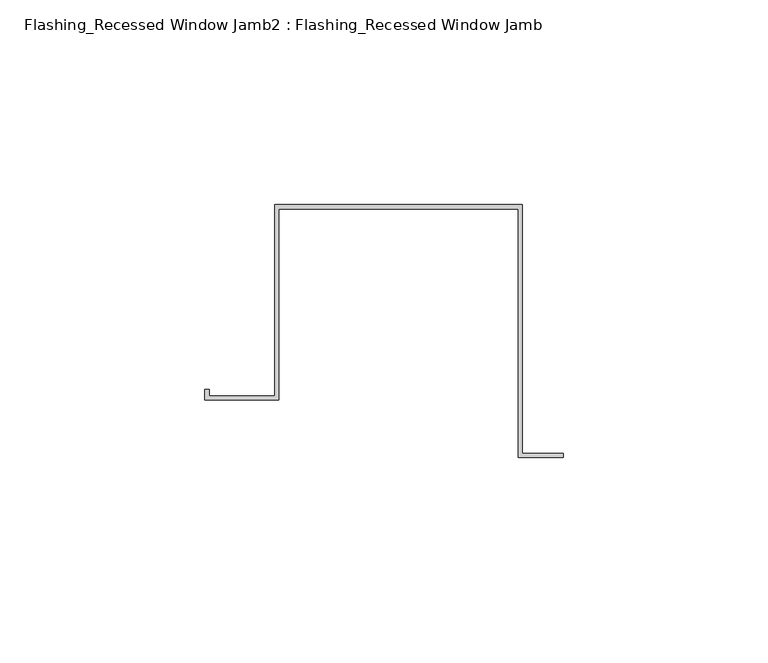
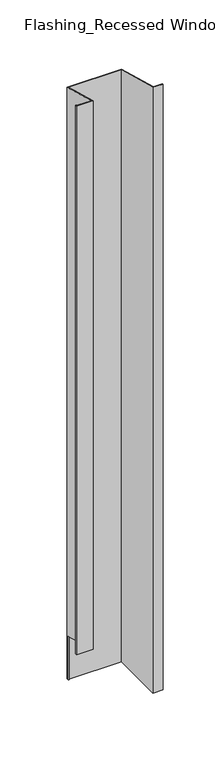
"""IFC4 building model written with IfcOpenShell, lengths in millimetres: proxy geometry, Flashing_Recessed Window Jamb2 : Flashing_Recessed Window Jamb."""

import ifcopenshell
import ifcopenshell.guid

model = None  # the IFC model being written
_history = None  # IfcOwnerHistory: only IFC2X3 demands one
_inside = {}  # id of a spatial element -> (the spatial element, [elements in it])
_under = {}  # id of a project, library or spatial element -> (it, [spatial elements below it])
_declared = {}  # id of a project -> (the project, [libraries it declares])
_typed = {}  # id of a type object -> (the type object, [elements of that type])
_made_of = {}  # id of a material, layer set ... -> (it, [elements and type objects made of it])


def new_model(schema):
    """Start an empty IFC model of exactly this schema.

    Asked for "IFC4X3", IfcOpenShell would pick the latest addendum, in which some entities
    have other attributes; the version numbers below select the first issue.
    IFC2X3 requires an IfcOwnerHistory on every rooted entity: one is made here for all.
    """
    global model, _history
    if schema == "IFC4X3":
        model = ifcopenshell.file(schema_version=(4, 3, 0, 0))
    else:
        model = ifcopenshell.file(schema=schema)
    _inside.clear()
    _under.clear()
    _declared.clear()
    _typed.clear()
    _made_of.clear()
    _history = None
    if model.schema == "IFC2X3":
        org = make("IfcOrganization", Name="unknown")
        user = make(
            "IfcPersonAndOrganization",
            ThePerson=make("IfcPerson", FamilyName="unknown"),
            TheOrganization=org,
        )
        app = make(
            "IfcApplication",
            ApplicationDeveloper=org,
            Version="unknown",
            ApplicationFullName="unknown",
            ApplicationIdentifier="unknown",
        )
        _history = make(
            "IfcOwnerHistory",
            OwningUser=user,
            OwningApplication=app,
            ChangeAction="ADDED",
            CreationDate=0,
        )
    return model


def make(cls, **values):
    """One entity of the class cls with the attributes given. An attribute that is None is left unset."""
    return model.create_entity(
        cls, **{name: value for name, value in values.items() if value is not None}
    )


def rooted(cls, **values):
    """An entity with a GlobalId (a new one), such as an element, a storey or a relation."""
    return make(cls, GlobalId=ifcopenshell.guid.new(), OwnerHistory=_history, **values)


def si_unit(unit_type, name, prefix=None):
    """IfcSIUnit, for example si_unit("LENGTHUNIT", "METRE", prefix="MILLI")."""
    return make("IfcSIUnit", UnitType=unit_type, Prefix=prefix, Name=name)


def assignment(units):
    """IfcUnitAssignment: the units of a project."""
    return None if units is None else make("IfcUnitAssignment", Units=units)


def point(xyz):
    """IfcCartesianPoint."""
    return None if xyz is None else make("IfcCartesianPoint", Coordinates=xyz)


def direction(xyz):
    """IfcDirection."""
    return None if xyz is None else make("IfcDirection", DirectionRatios=xyz)


def frame(location, z_axis=None, x_axis=None):
    """IfcAxis2Placement3D, a coordinate frame: its origin and axes. An axis left out is left unset."""
    return make(
        "IfcAxis2Placement3D",
        Location=point(location),
        Axis=direction(z_axis),
        RefDirection=direction(x_axis),
    )


def origin():
    """The frame at (0, 0, 0) with its axes left unset."""
    return frame((0.0, 0.0, 0.0))


def place(relative_to, where):
    """IfcLocalPlacement: puts the frame where relative to a parent placement (None: the world)."""
    return make(
        "IfcLocalPlacement", PlacementRelTo=relative_to, RelativePlacement=where
    )


def context(
    kind, dimensions, precision=None, world=None, true_north=None, identifier=None
):
    """IfcGeometricRepresentationContext, for example the 3D "Model" context."""
    return make(
        "IfcGeometricRepresentationContext",
        ContextIdentifier=identifier,
        ContextType=kind,
        CoordinateSpaceDimension=dimensions,
        Precision=precision,
        WorldCoordinateSystem=world,
        TrueNorth=true_north,
    )


def project(units=None, contexts=None):
    """IfcProject with its units and contexts."""
    return rooted(
        "IfcProject",
        Name="project",
        RepresentationContexts=contexts,
        UnitsInContext=assignment(units),
    )


def spatial(cls, under=None, at=None, **own):
    """A site, building, storey or space (cls), placed at a placement, below another one or the project."""
    s = rooted(cls, ObjectPlacement=at, **own)
    if under is not None:
        _under.setdefault(under.id(), (under, []))[1].append(s)
    return s


def faces_of(points, faces, orient=None, outer=None):
    """IfcFace entities. A face is a list of loops; a loop is a list of indices into points, from 0.

    orient and outer hold one flag for each loop. By default every Orientation is true, the
    first loop of a face is its IfcFaceOuterBound and the others are IfcFaceBound.
    """
    made = []
    for i, loops in enumerate(faces):
        bounds = []
        for j, loop in enumerate(loops):
            is_outer = j == 0 if outer is None else outer[i][j]
            bounds.append(
                make(
                    "IfcFaceOuterBound" if is_outer else "IfcFaceBound",
                    Bound=make("IfcPolyLoop", Polygon=[points[k] for k in loop]),
                    Orientation=True if orient is None else orient[i][j],
                )
            )
        made.append(make("IfcFace", Bounds=bounds))
    return made


def faceted_brep(points, faces, orient=None, outer=None, voids=None):
    """IfcFacetedBrep: a solid bounded by flat faces; with voids (closed shells), ...WithVoids."""
    shared = [point(p) for p in points]
    hull = make("IfcClosedShell", CfsFaces=faces_of(shared, faces, orient, outer))
    if voids is None:
        return make("IfcFacetedBrep", Outer=hull)
    return make(
        "IfcFacetedBrepWithVoids",
        Outer=hull,
        Voids=[
            make(cls, CfsFaces=faces_of(shared, fs, o, b)) for cls, fs, o, b in voids
        ],
    )


def shape(context_of_items, identifier, shape_type, items):
    """IfcShapeRepresentation: the items that make up one representation, for example the "Body"."""
    return make(
        "IfcShapeRepresentation",
        ContextOfItems=context_of_items,
        RepresentationIdentifier=identifier,
        RepresentationType=shape_type,
        Items=items,
    )


def source(mapping_origin, context_of_items, identifier, shape_type, items):
    """IfcRepresentationMap: a shape defined once, which mapped items show again and again."""
    return make(
        "IfcRepresentationMap",
        MappingOrigin=mapping_origin,
        MappedRepresentation=shape(context_of_items, identifier, shape_type, items),
    )


def transform(
    local_origin,
    x_axis=None,
    y_axis=None,
    z_axis=None,
    scale=None,
    scale2=None,
    scale3=None,
    uniform=True,
):
    """IfcCartesianTransformationOperator3D, or its non-uniform kind. x_axis, y_axis, z_axis: its Axis1, 2, 3."""
    if uniform:
        return make(
            "IfcCartesianTransformationOperator3D",
            Axis1=direction(x_axis),
            Axis2=direction(y_axis),
            LocalOrigin=point(local_origin),
            Scale=scale,
            Axis3=direction(z_axis),
        )
    return make(
        "IfcCartesianTransformationOperator3DnonUniform",
        Axis1=direction(x_axis),
        Axis2=direction(y_axis),
        LocalOrigin=point(local_origin),
        Scale=scale,
        Axis3=direction(z_axis),
        Scale2=scale2,
        Scale3=scale3,
    )


def mapped(mapping_source, mapping_target):
    """IfcMappedItem: shows the shape of a source again, moved by a transform."""
    return make(
        "IfcMappedItem", MappingSource=mapping_source, MappingTarget=mapping_target
    )


def made_of(thing, what):
    """Note that an element or type object is made of a material, layer set ...; save() writes the relation."""
    if what is not None:
        _made_of.setdefault(what.id(), (what, []))[1].append(thing)
    return thing


def element(
    cls,
    number,
    at=None,
    inside=None,
    cuts=None,
    type_object=None,
    material=None,
    context=None,
    identifier="Body",
    shape_type=None,
    held_by="IfcProductDefinitionShape",
    body=None,
    shapes=None,
    **own,
):
    """One element of the class cls, such as IfcWall. Its Tag is "e" and its number.

    at: its placement. inside: the storey or other place that contains it. cuts: it is an
    opening in that element (IfcRelVoidsElement). A single representation is given by context,
    identifier, shape_type and body (its items); several are given by shapes. held_by: the class
    of the entity that holds the representations. save() writes the other relations.
    """
    e = rooted(cls, Tag="e%d" % number, ObjectPlacement=at, **own)
    if body is not None:
        shapes = [shape(context, identifier, shape_type, body)]
    if shapes is not None:
        e.Representation = make(held_by, Representations=shapes)
    if inside is not None:
        _inside.setdefault(inside.id(), (inside, []))[1].append(e)
    if cuts is not None:
        rooted(
            "IfcRelVoidsElement", RelatingBuildingElement=cuts, RelatedOpeningElement=e
        )
    if type_object is not None:
        _typed.setdefault(type_object.id(), (type_object, []))[1].append(e)
    return made_of(e, material)


def aggregate(whole, parts):
    """IfcRelAggregates: a whole, such as a stair, and the parts it consists of."""
    return rooted("IfcRelAggregates", RelatingObject=whole, RelatedObjects=parts)


def save(model, path):
    """Write the relations noted so far, then the file.

    IfcRelAggregates (storeys below a building ...), IfcRelContainedInSpatialStructure (elements
    in a storey), IfcRelDefinesByType, IfcRelAssociatesMaterial and IfcRelDeclares: one each for
    every whole, place, type object, material and project.
    """
    for whole, parts in _under.values():
        aggregate(whole, parts)
    for where, things in _inside.values():
        rooted(
            "IfcRelContainedInSpatialStructure",
            RelatedElements=things,
            RelatingStructure=where,
        )
    for kind, things in _typed.values():
        rooted("IfcRelDefinesByType", RelatedObjects=things, RelatingType=kind)
    for what, things in _made_of.values():
        rooted("IfcRelAssociatesMaterial", RelatedObjects=things, RelatingMaterial=what)
    for by, libraries in _declared.values():
        rooted("IfcRelDeclares", RelatingContext=by, RelatedDefinitions=libraries)
    model.write(path)


def flashing_recessed_window_jamb2_flashing_recessed_window_jamb_f93180a6(model_context):
    return source(origin(), model_context, "Body", "Brep", [
        faceted_brep([(9685.8470781, 597.0273812, -1036.7382524), (9685.8470781, 657.7344915, -1036.7382524), (9627.4791786, 657.7344915, -1036.7382524), (9627.4791786, 656.8026399, -1036.7382524), (9626.4791786, 656.8026399, -1036.7382524), (9626.4791786, 658.7344915, -1036.7382524), (9686.8470781, 658.7344915, -1036.7382524), (9686.8470781, 598.0273812, -1036.7382524), (9696.8470781, 598.0273812, -1036.7382524), (9696.8470781, 597.0273812, -1036.7382524), (9686.8470781, 658.7344915, -343.2151173), (9686.8470781, 598.0273812, -326.9486961), (9626.4791786, 658.7344915, -343.2151173), (9626.4791786, 656.8026399, -985.662203), (9626.4791786, 612.0490096, -973.6705039), (9626.4791786, 612.0490096, -330.7057801), (9610.4479286, 612.0490096, -330.7057801), (9610.4479286, 612.0490096, -973.6705039), (9610.4479286, 613.5934881, -331.1196219), (9610.4479286, 613.5934881, -974.0843457), (9609.4479286, 613.5934881, -331.1196219), (9609.4479286, 613.5934881, -974.0843457), (9609.4479286, 611.0490096, -330.4378309), (9609.4479286, 611.0490096, -973.4025548), (9627.4791786, 611.0490096, -330.4378309), (9627.4791786, 611.0490096, -973.4025548), (9627.4791786, 657.7344915, -342.9471681), (9627.4791786, 656.8026399, -985.662203), (9685.8470781, 657.7344915, -342.9471681), (9685.8470781, 597.0273812, -326.6807469), (9696.8470781, 597.0273812, -326.6807469), (9696.8470781, 598.0273812, -326.9486961)], [[[0, 1, 2, 3, 4, 5, 6, 7, 8, 9]], [[7, 6, 10, 11]], [[6, 5, 12, 10]], [[12, 5, 4, 13, 14, 15]], [[16, 15, 14, 17]], [[18, 16, 17, 19]], [[20, 18, 19, 21]], [[22, 20, 21, 23]], [[24, 22, 23, 25]], [[2, 26, 24, 25, 27, 3]], [[2, 1, 28, 26]], [[1, 0, 29, 28]], [[0, 9, 30, 29]], [[9, 8, 31, 30]], [[8, 7, 11, 31]], [[11, 10, 12, 15, 16, 18, 20, 22, 24, 26, 28, 29, 30, 31]], [[13, 27, 25, 23, 21, 19, 17, 14]], [[27, 13, 4, 3]]]),
    ])


if __name__ == "__main__":
    model = new_model("IFC4")
    model_context = context("Model", 3, world=origin())
    ifc_project = project(units=[si_unit("LENGTHUNIT", "METRE", prefix="MILLI")], contexts=[model_context])
    site = spatial("IfcSite", under=ifc_project)
    building = spatial("IfcBuilding", under=site)
    placement = place(None, origin())
    flashing_recessed_window_jamb2_flashing_recessed_window_jamb_shape = flashing_recessed_window_jamb2_flashing_recessed_window_jamb_f93180a6(model_context)
    element("IfcBuildingElementProxy", 1, Name="Flashing_Recessed Window Jamb2 : Flashing_Recessed Window Jamb", ObjectType="Flashing_Recessed Window Jamb2 : Flashing_Recessed Window Jamb", at=placement, inside=building, context=model_context, shape_type="MappedRepresentation", body=[
        mapped(flashing_recessed_window_jamb2_flashing_recessed_window_jamb_shape, transform((0.0, 0.0, 0.0), x_axis=(1.0, 0.0, 0.0), y_axis=(0.0, 1.0, 0.0), z_axis=(0.0, 0.0, 1.0))),
    ])
    save(model, "model.ifc")
